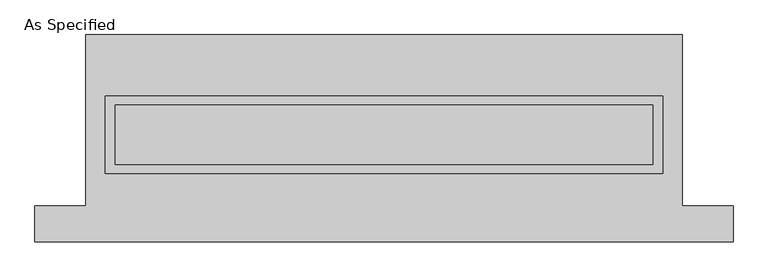
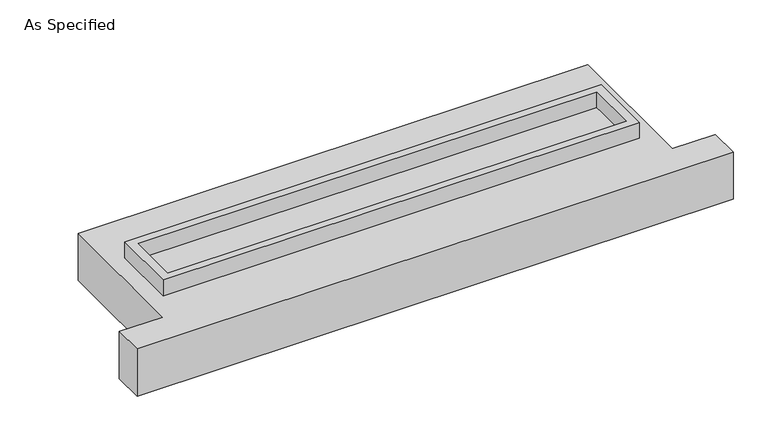
"""IFC4 building model written with IfcOpenShell, lengths in millimetres: proxy geometry, As Specified."""

from ifc_helpers import new_model, si_unit, frame, origin, place, context, project, spatial, polyline, outline, extrude, source, transform, mapped, element, save


def as_specified_a53b7b00(model_context):
    return source(origin(), model_context, "Body", "SweptSolid", [
        extrude(outline(polyline([(2374.9, 361.95), (2374.9, -298.45), (-2374.9, -298.45), (-2374.9, 361.95), (2374.9, 361.95)]), holes=[polyline([(2286.0, 285.75), (-2286.0, 285.75), (-2286.0, -222.25), (2286.0, -222.25), (2286.0, 285.75)])]), frame((0.0, 0.0, -688.975), z_axis=(0.0, 0.0, 1.0), x_axis=(1.0, 0.0, 0.0)), (0.0, 0.0, 1.0), 165.1),
        extrude(outline(polyline([(2374.9, 361.95), (2374.9, -298.45), (-2374.9, -298.45), (-2374.9, 361.95), (2374.9, 361.95)]), holes=[polyline([(2286.0, 285.75), (-2286.0, 285.75), (-2286.0, -222.25), (2286.0, -222.25), (2286.0, 285.75)])]), frame((0.0, 0.0, -25.4), z_axis=(0.0, 0.0, 1.0), x_axis=(1.0, 0.0, 0.0)), (0.0, 0.0, 1.0), 165.1),
        extrude(outline(polyline([(2286.0, 285.75), (2286.0, -222.25), (-2286.0, -222.25), (-2286.0, 285.75), (2286.0, 285.75)])), frame((0.0, 0.0, -523.875), z_axis=(0.0, 0.0, 1.0), x_axis=(1.0, 0.0, 0.0)), (0.0, 0.0, 1.0), 4.9609375),
        extrude(outline(polyline([(2286.0, 285.75), (2286.0, -222.25), (-2286.0, -222.25), (-2286.0, 285.75), (2286.0, 285.75)])), frame((0.0, 0.0, -30.3609375), z_axis=(0.0, 0.0, 1.0), x_axis=(1.0, 0.0, 0.0)), (0.0, 0.0, 1.0), 4.9609375),
        extrude(outline(polyline([(-2540.0, 882.65), (2540.0, 882.65), (2540.0, -577.85), (2971.8, -577.85), (2971.8, -882.65), (-2971.8, -882.65), (-2971.8, -577.85), (-2540.0, -577.85), (-2540.0, 882.65)]), holes=[polyline([(-2374.9, 361.95), (-2374.9, -298.45), (2374.9, -298.45), (2374.9, 361.95), (-2374.9, 361.95)])]), frame((0.0, 0.0, -523.875), z_axis=(0.0, 0.0, 1.0), x_axis=(1.0, 0.0, 0.0)), (0.0, 0.0, 1.0), 498.475),
    ])


if __name__ == "__main__":
    model = new_model("IFC4")
    model_context = context("Model", 3, world=origin())
    ifc_project = project(units=[si_unit("LENGTHUNIT", "METRE", prefix="MILLI")], contexts=[model_context])
    site = spatial("IfcSite", under=ifc_project)
    building = spatial("IfcBuilding", under=site)
    placement = place(None, origin())
    as_specified_shape = as_specified_a53b7b00(model_context)
    element("IfcBuildingElementProxy", 1, Name="As Specified", ObjectType="As Specified", at=placement, inside=building, context=model_context, shape_type="MappedRepresentation", body=[
        mapped(as_specified_shape, transform((0.0, 0.0, 0.0), x_axis=(1.0, 0.0, 0.0), y_axis=(0.0, 1.0, 0.0), z_axis=(0.0, 0.0, 1.0))),
    ])
    save(model, "model.ifc")
